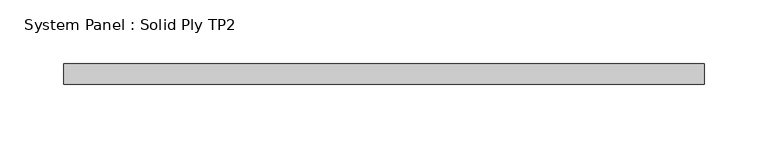
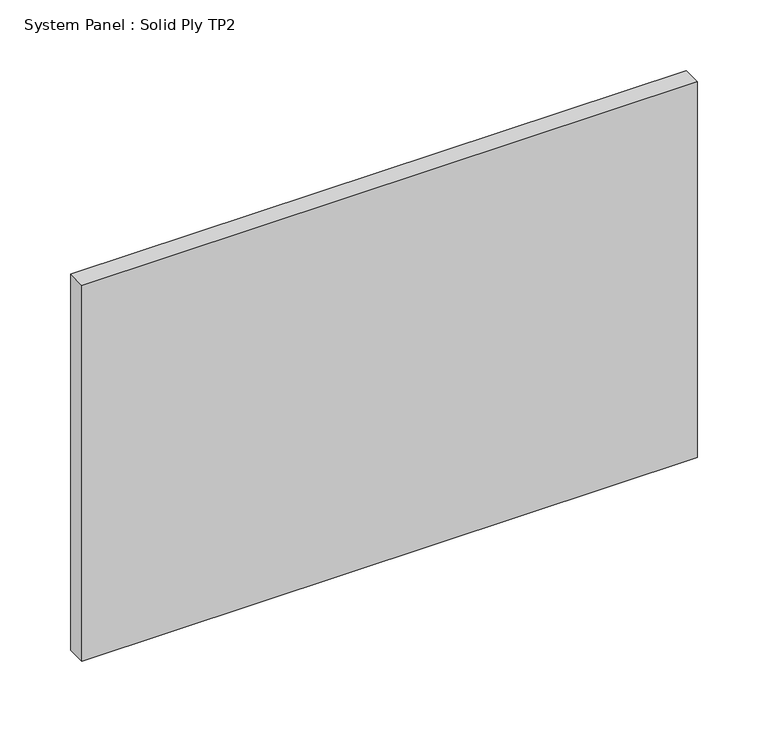
"""IFC4 building model written with IfcOpenShell, lengths in millimetres: plate geometry, System Panel : Solid Ply TP2."""

import ifcopenshell
import ifcopenshell.guid

model = None  # the IFC model being written
_history = None  # IfcOwnerHistory: only IFC2X3 demands one
_inside = {}  # id of a spatial element -> (the spatial element, [elements in it])
_under = {}  # id of a project, library or spatial element -> (it, [spatial elements below it])
_declared = {}  # id of a project -> (the project, [libraries it declares])
_typed = {}  # id of a type object -> (the type object, [elements of that type])
_made_of = {}  # id of a material, layer set ... -> (it, [elements and type objects made of it])


def new_model(schema):
    """Start an empty IFC model of exactly this schema.

    Asked for "IFC4X3", IfcOpenShell would pick the latest addendum, in which some entities
    have other attributes; the version numbers below select the first issue.
    IFC2X3 requires an IfcOwnerHistory on every rooted entity: one is made here for all.
    """
    global model, _history
    if schema == "IFC4X3":
        model = ifcopenshell.file(schema_version=(4, 3, 0, 0))
    else:
        model = ifcopenshell.file(schema=schema)
    _inside.clear()
    _under.clear()
    _declared.clear()
    _typed.clear()
    _made_of.clear()
    _history = None
    if model.schema == "IFC2X3":
        org = make("IfcOrganization", Name="unknown")
        user = make(
            "IfcPersonAndOrganization",
            ThePerson=make("IfcPerson", FamilyName="unknown"),
            TheOrganization=org,
        )
        app = make(
            "IfcApplication",
            ApplicationDeveloper=org,
            Version="unknown",
            ApplicationFullName="unknown",
            ApplicationIdentifier="unknown",
        )
        _history = make(
            "IfcOwnerHistory",
            OwningUser=user,
            OwningApplication=app,
            ChangeAction="ADDED",
            CreationDate=0,
        )
    return model


def make(cls, **values):
    """One entity of the class cls with the attributes given. An attribute that is None is left unset."""
    return model.create_entity(
        cls, **{name: value for name, value in values.items() if value is not None}
    )


def rooted(cls, **values):
    """An entity with a GlobalId (a new one), such as an element, a storey or a relation."""
    return make(cls, GlobalId=ifcopenshell.guid.new(), OwnerHistory=_history, **values)


def si_unit(unit_type, name, prefix=None):
    """IfcSIUnit, for example si_unit("LENGTHUNIT", "METRE", prefix="MILLI")."""
    return make("IfcSIUnit", UnitType=unit_type, Prefix=prefix, Name=name)


def assignment(units):
    """IfcUnitAssignment: the units of a project."""
    return None if units is None else make("IfcUnitAssignment", Units=units)


def point(xyz):
    """IfcCartesianPoint."""
    return None if xyz is None else make("IfcCartesianPoint", Coordinates=xyz)


def direction(xyz):
    """IfcDirection."""
    return None if xyz is None else make("IfcDirection", DirectionRatios=xyz)


def frame(location, z_axis=None, x_axis=None):
    """IfcAxis2Placement3D, a coordinate frame: its origin and axes. An axis left out is left unset."""
    return make(
        "IfcAxis2Placement3D",
        Location=point(location),
        Axis=direction(z_axis),
        RefDirection=direction(x_axis),
    )


def origin():
    """The frame at (0, 0, 0) with its axes left unset."""
    return frame((0.0, 0.0, 0.0))


def origin_with_axes():
    """The frame at (0, 0, 0) with the z axis (0, 0, 1) and the x axis (1, 0, 0) written out."""
    return frame((0.0, 0.0, 0.0), z_axis=(0.0, 0.0, 1.0), x_axis=(1.0, 0.0, 0.0))


def place(relative_to, where):
    """IfcLocalPlacement: puts the frame where relative to a parent placement (None: the world)."""
    return make(
        "IfcLocalPlacement", PlacementRelTo=relative_to, RelativePlacement=where
    )


def context(
    kind, dimensions, precision=None, world=None, true_north=None, identifier=None
):
    """IfcGeometricRepresentationContext, for example the 3D "Model" context."""
    return make(
        "IfcGeometricRepresentationContext",
        ContextIdentifier=identifier,
        ContextType=kind,
        CoordinateSpaceDimension=dimensions,
        Precision=precision,
        WorldCoordinateSystem=world,
        TrueNorth=true_north,
    )


def project(units=None, contexts=None):
    """IfcProject with its units and contexts."""
    return rooted(
        "IfcProject",
        Name="project",
        RepresentationContexts=contexts,
        UnitsInContext=assignment(units),
    )


def spatial(cls, under=None, at=None, **own):
    """A site, building, storey or space (cls), placed at a placement, below another one or the project."""
    s = rooted(cls, ObjectPlacement=at, **own)
    if under is not None:
        _under.setdefault(under.id(), (under, []))[1].append(s)
    return s


def polyline(points):
    """IfcPolyline through the points."""
    return make("IfcPolyline", Points=[point(p) for p in points])


def outline(outer, holes=None, kind="AREA"):
    """IfcArbitraryClosedProfileDef: a profile drawn as a closed curve; with holes, ...WithVoids."""
    if holes is None:
        return make("IfcArbitraryClosedProfileDef", ProfileType=kind, OuterCurve=outer)
    return make(
        "IfcArbitraryProfileDefWithVoids",
        ProfileType=kind,
        OuterCurve=outer,
        InnerCurves=holes,
    )


def extrude(swept, where, along, depth):
    """IfcExtrudedAreaSolid: the profile swept, set in the frame where, extruded along a direction by depth."""
    return make(
        "IfcExtrudedAreaSolid",
        SweptArea=swept,
        Position=where,
        ExtrudedDirection=direction(along),
        Depth=depth,
    )


def shape(context_of_items, identifier, shape_type, items):
    """IfcShapeRepresentation: the items that make up one representation, for example the "Body"."""
    return make(
        "IfcShapeRepresentation",
        ContextOfItems=context_of_items,
        RepresentationIdentifier=identifier,
        RepresentationType=shape_type,
        Items=items,
    )


def source(mapping_origin, context_of_items, identifier, shape_type, items):
    """IfcRepresentationMap: a shape defined once, which mapped items show again and again."""
    return make(
        "IfcRepresentationMap",
        MappingOrigin=mapping_origin,
        MappedRepresentation=shape(context_of_items, identifier, shape_type, items),
    )


def transform(
    local_origin,
    x_axis=None,
    y_axis=None,
    z_axis=None,
    scale=None,
    scale2=None,
    scale3=None,
    uniform=True,
):
    """IfcCartesianTransformationOperator3D, or its non-uniform kind. x_axis, y_axis, z_axis: its Axis1, 2, 3."""
    if uniform:
        return make(
            "IfcCartesianTransformationOperator3D",
            Axis1=direction(x_axis),
            Axis2=direction(y_axis),
            LocalOrigin=point(local_origin),
            Scale=scale,
            Axis3=direction(z_axis),
        )
    return make(
        "IfcCartesianTransformationOperator3DnonUniform",
        Axis1=direction(x_axis),
        Axis2=direction(y_axis),
        LocalOrigin=point(local_origin),
        Scale=scale,
        Axis3=direction(z_axis),
        Scale2=scale2,
        Scale3=scale3,
    )


def mapped(mapping_source, mapping_target):
    """IfcMappedItem: shows the shape of a source again, moved by a transform."""
    return make(
        "IfcMappedItem", MappingSource=mapping_source, MappingTarget=mapping_target
    )


def made_of(thing, what):
    """Note that an element or type object is made of a material, layer set ...; save() writes the relation."""
    if what is not None:
        _made_of.setdefault(what.id(), (what, []))[1].append(thing)
    return thing


def element(
    cls,
    number,
    at=None,
    inside=None,
    cuts=None,
    type_object=None,
    material=None,
    context=None,
    identifier="Body",
    shape_type=None,
    held_by="IfcProductDefinitionShape",
    body=None,
    shapes=None,
    **own,
):
    """One element of the class cls, such as IfcWall. Its Tag is "e" and its number.

    at: its placement. inside: the storey or other place that contains it. cuts: it is an
    opening in that element (IfcRelVoidsElement). A single representation is given by context,
    identifier, shape_type and body (its items); several are given by shapes. held_by: the class
    of the entity that holds the representations. save() writes the other relations.
    """
    e = rooted(cls, Tag="e%d" % number, ObjectPlacement=at, **own)
    if body is not None:
        shapes = [shape(context, identifier, shape_type, body)]
    if shapes is not None:
        e.Representation = make(held_by, Representations=shapes)
    if inside is not None:
        _inside.setdefault(inside.id(), (inside, []))[1].append(e)
    if cuts is not None:
        rooted(
            "IfcRelVoidsElement", RelatingBuildingElement=cuts, RelatedOpeningElement=e
        )
    if type_object is not None:
        _typed.setdefault(type_object.id(), (type_object, []))[1].append(e)
    return made_of(e, material)


def aggregate(whole, parts):
    """IfcRelAggregates: a whole, such as a stair, and the parts it consists of."""
    return rooted("IfcRelAggregates", RelatingObject=whole, RelatedObjects=parts)


def save(model, path):
    """Write the relations noted so far, then the file.

    IfcRelAggregates (storeys below a building ...), IfcRelContainedInSpatialStructure (elements
    in a storey), IfcRelDefinesByType, IfcRelAssociatesMaterial and IfcRelDeclares: one each for
    every whole, place, type object, material and project.
    """
    for whole, parts in _under.values():
        aggregate(whole, parts)
    for where, things in _inside.values():
        rooted(
            "IfcRelContainedInSpatialStructure",
            RelatedElements=things,
            RelatingStructure=where,
        )
    for kind, things in _typed.values():
        rooted("IfcRelDefinesByType", RelatedObjects=things, RelatingType=kind)
    for what, things in _made_of.values():
        rooted("IfcRelAssociatesMaterial", RelatedObjects=things, RelatingMaterial=what)
    for by, libraries in _declared.values():
        rooted("IfcRelDeclares", RelatingContext=by, RelatedDefinitions=libraries)
    model.write(path)


def system_panel_solid_ply_tp2_2a88a118(model_context):
    return source(origin(), model_context, "Body", "SweptSolid", [
        extrude(outline(polyline([(251.5000005, -23.0), (-251.5000005, -23.0), (-251.5000005, -7.0), (251.5000005, -7.0), (251.5000005, -23.0)])), origin_with_axes(), (0.0, 0.0, 1.0), 325.0),
    ])


if __name__ == "__main__":
    model = new_model("IFC4")
    model_context = context("Model", 3, world=origin())
    ifc_project = project(units=[si_unit("LENGTHUNIT", "METRE", prefix="MILLI")], contexts=[model_context])
    site = spatial("IfcSite", under=ifc_project)
    building = spatial("IfcBuilding", under=site)
    placement = place(None, origin())
    system_panel_solid_ply_tp2_shape = system_panel_solid_ply_tp2_2a88a118(model_context)
    element("IfcPlate", 1, ObjectType="System Panel : Solid Ply TP2", at=placement, inside=building, context=model_context, shape_type="MappedRepresentation", body=[
        mapped(system_panel_solid_ply_tp2_shape, transform((0.0, 0.0, 0.0), x_axis=(1.0, 0.0, 0.0), y_axis=(0.0, 1.0, 0.0), z_axis=(0.0, 0.0, 1.0))),
    ])
    save(model, "model.ifc")
